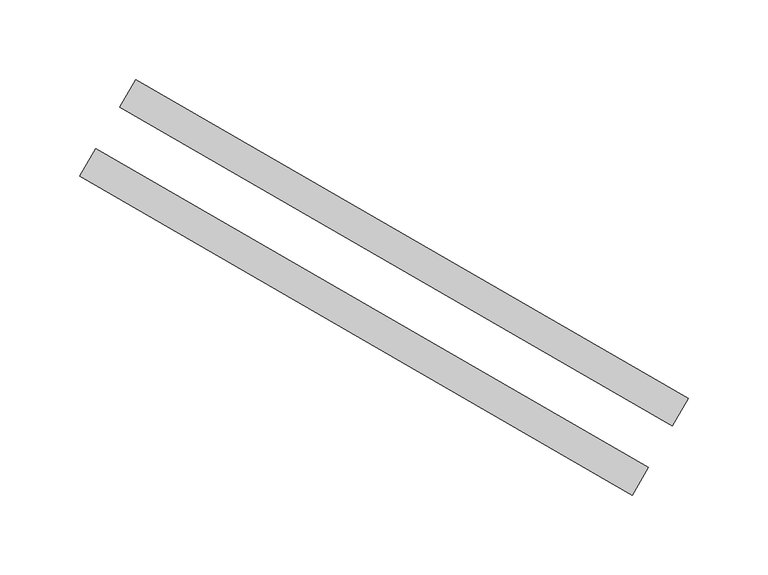
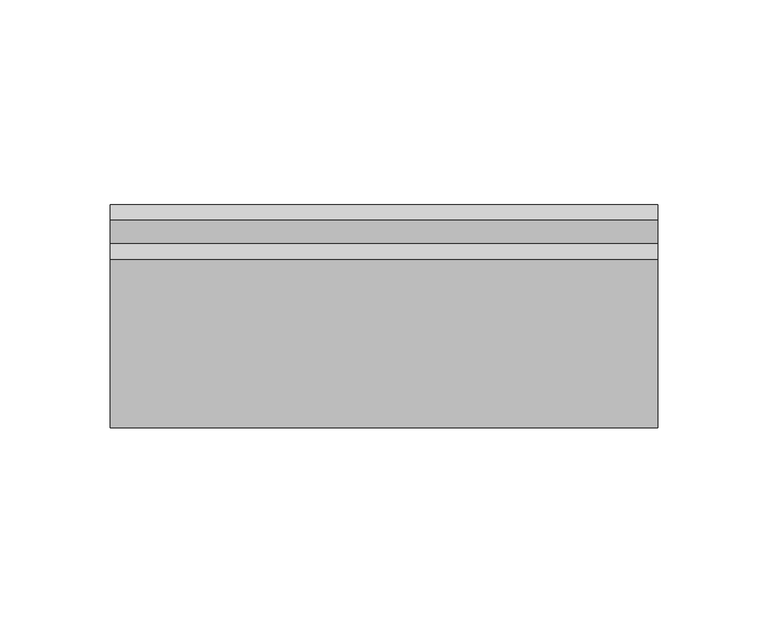
"""IFC4 building model written with IfcOpenShell, lengths in millimetres: proxy geometry."""

from ifc_helpers import new_model, si_unit, origin, origin_with_axes, place, context, project, spatial, polyline, outline, extrude, source, transform, mapped, element, save


def generic_models_6e4ae626(model_context):
    return source(origin(), model_context, "Body", "SweptSolid", [
        extrude(outline(polyline([(353.9101615, -187.0096189), (7.5, 12.9903811), (17.5, 30.3108891), (363.9101615, -169.6891109), (353.9101615, -187.0096189)])), origin_with_axes(), (0.0, 0.0, 1.0), 150.0),
        extrude(outline(polyline([(328.9101615, -230.3108891), (-17.5, -30.3108891), (-7.5, -12.9903811), (338.9101615, -212.9903811), (328.9101615, -230.3108891)])), origin_with_axes(), (0.0, 0.0, 1.0), 150.0),
    ])


if __name__ == "__main__":
    model = new_model("IFC4")
    model_context = context("Model", 3, world=origin())
    ifc_project = project(units=[si_unit("LENGTHUNIT", "METRE", prefix="MILLI")], contexts=[model_context])
    site = spatial("IfcSite", under=ifc_project)
    building = spatial("IfcBuilding", under=site)
    placement = place(None, origin())
    generic_models_shape = generic_models_6e4ae626(model_context)
    element("IfcBuildingElementProxy", 1, Name="Generic Models", at=placement, inside=building, context=model_context, shape_type="MappedRepresentation", body=[
        mapped(generic_models_shape, transform((0.0, 0.0, 0.0), x_axis=(1.0, 0.0, 0.0), y_axis=(0.0, 1.0, 0.0), z_axis=(0.0, 0.0, 1.0))),
    ])
    save(model, "model.ifc")
